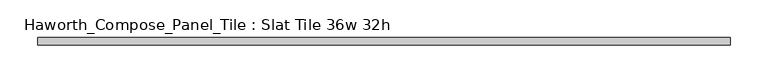
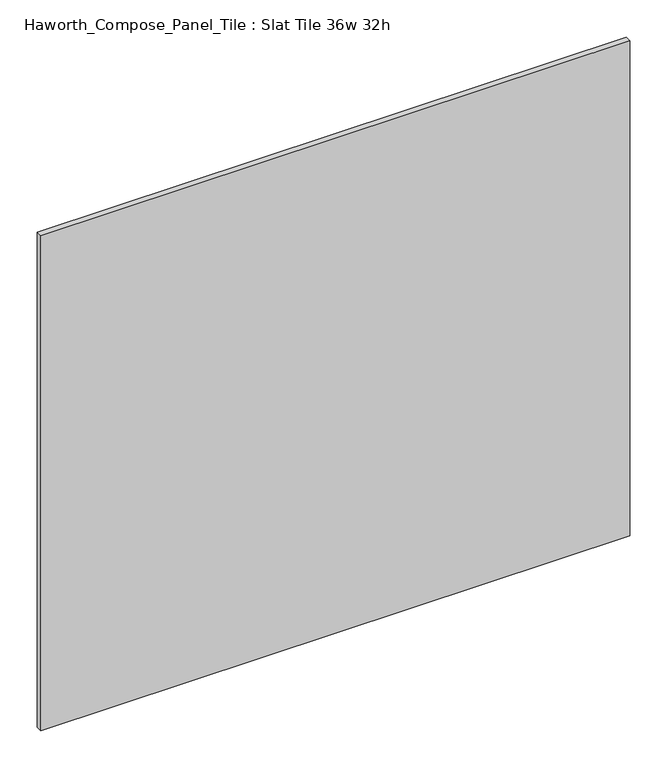
"""IFC4 building model written with IfcOpenShell, lengths in millimetres: furniture geometry, Haworth_Compose_Panel_Tile : Slat Tile 36w 32h."""

import ifcopenshell
import ifcopenshell.guid

model = None  # the IFC model being written
_history = None  # IfcOwnerHistory: only IFC2X3 demands one
_inside = {}  # id of a spatial element -> (the spatial element, [elements in it])
_under = {}  # id of a project, library or spatial element -> (it, [spatial elements below it])
_declared = {}  # id of a project -> (the project, [libraries it declares])
_typed = {}  # id of a type object -> (the type object, [elements of that type])
_made_of = {}  # id of a material, layer set ... -> (it, [elements and type objects made of it])


def new_model(schema):
    """Start an empty IFC model of exactly this schema.

    Asked for "IFC4X3", IfcOpenShell would pick the latest addendum, in which some entities
    have other attributes; the version numbers below select the first issue.
    IFC2X3 requires an IfcOwnerHistory on every rooted entity: one is made here for all.
    """
    global model, _history
    if schema == "IFC4X3":
        model = ifcopenshell.file(schema_version=(4, 3, 0, 0))
    else:
        model = ifcopenshell.file(schema=schema)
    _inside.clear()
    _under.clear()
    _declared.clear()
    _typed.clear()
    _made_of.clear()
    _history = None
    if model.schema == "IFC2X3":
        org = make("IfcOrganization", Name="unknown")
        user = make(
            "IfcPersonAndOrganization",
            ThePerson=make("IfcPerson", FamilyName="unknown"),
            TheOrganization=org,
        )
        app = make(
            "IfcApplication",
            ApplicationDeveloper=org,
            Version="unknown",
            ApplicationFullName="unknown",
            ApplicationIdentifier="unknown",
        )
        _history = make(
            "IfcOwnerHistory",
            OwningUser=user,
            OwningApplication=app,
            ChangeAction="ADDED",
            CreationDate=0,
        )
    return model


def make(cls, **values):
    """One entity of the class cls with the attributes given. An attribute that is None is left unset."""
    return model.create_entity(
        cls, **{name: value for name, value in values.items() if value is not None}
    )


def rooted(cls, **values):
    """An entity with a GlobalId (a new one), such as an element, a storey or a relation."""
    return make(cls, GlobalId=ifcopenshell.guid.new(), OwnerHistory=_history, **values)


def si_unit(unit_type, name, prefix=None):
    """IfcSIUnit, for example si_unit("LENGTHUNIT", "METRE", prefix="MILLI")."""
    return make("IfcSIUnit", UnitType=unit_type, Prefix=prefix, Name=name)


def assignment(units):
    """IfcUnitAssignment: the units of a project."""
    return None if units is None else make("IfcUnitAssignment", Units=units)


def point(xyz):
    """IfcCartesianPoint."""
    return None if xyz is None else make("IfcCartesianPoint", Coordinates=xyz)


def direction(xyz):
    """IfcDirection."""
    return None if xyz is None else make("IfcDirection", DirectionRatios=xyz)


def frame(location, z_axis=None, x_axis=None):
    """IfcAxis2Placement3D, a coordinate frame: its origin and axes. An axis left out is left unset."""
    return make(
        "IfcAxis2Placement3D",
        Location=point(location),
        Axis=direction(z_axis),
        RefDirection=direction(x_axis),
    )


def origin():
    """The frame at (0, 0, 0) with its axes left unset."""
    return frame((0.0, 0.0, 0.0))


def place(relative_to, where):
    """IfcLocalPlacement: puts the frame where relative to a parent placement (None: the world)."""
    return make(
        "IfcLocalPlacement", PlacementRelTo=relative_to, RelativePlacement=where
    )


def context(
    kind, dimensions, precision=None, world=None, true_north=None, identifier=None
):
    """IfcGeometricRepresentationContext, for example the 3D "Model" context."""
    return make(
        "IfcGeometricRepresentationContext",
        ContextIdentifier=identifier,
        ContextType=kind,
        CoordinateSpaceDimension=dimensions,
        Precision=precision,
        WorldCoordinateSystem=world,
        TrueNorth=true_north,
    )


def project(units=None, contexts=None):
    """IfcProject with its units and contexts."""
    return rooted(
        "IfcProject",
        Name="project",
        RepresentationContexts=contexts,
        UnitsInContext=assignment(units),
    )


def spatial(cls, under=None, at=None, **own):
    """A site, building, storey or space (cls), placed at a placement, below another one or the project."""
    s = rooted(cls, ObjectPlacement=at, **own)
    if under is not None:
        _under.setdefault(under.id(), (under, []))[1].append(s)
    return s


def polyline(points):
    """IfcPolyline through the points."""
    return make("IfcPolyline", Points=[point(p) for p in points])


def outline(outer, holes=None, kind="AREA"):
    """IfcArbitraryClosedProfileDef: a profile drawn as a closed curve; with holes, ...WithVoids."""
    if holes is None:
        return make("IfcArbitraryClosedProfileDef", ProfileType=kind, OuterCurve=outer)
    return make(
        "IfcArbitraryProfileDefWithVoids",
        ProfileType=kind,
        OuterCurve=outer,
        InnerCurves=holes,
    )


def extrude(swept, where, along, depth):
    """IfcExtrudedAreaSolid: the profile swept, set in the frame where, extruded along a direction by depth."""
    return make(
        "IfcExtrudedAreaSolid",
        SweptArea=swept,
        Position=where,
        ExtrudedDirection=direction(along),
        Depth=depth,
    )


def shape(context_of_items, identifier, shape_type, items):
    """IfcShapeRepresentation: the items that make up one representation, for example the "Body"."""
    return make(
        "IfcShapeRepresentation",
        ContextOfItems=context_of_items,
        RepresentationIdentifier=identifier,
        RepresentationType=shape_type,
        Items=items,
    )


def source(mapping_origin, context_of_items, identifier, shape_type, items):
    """IfcRepresentationMap: a shape defined once, which mapped items show again and again."""
    return make(
        "IfcRepresentationMap",
        MappingOrigin=mapping_origin,
        MappedRepresentation=shape(context_of_items, identifier, shape_type, items),
    )


def transform(
    local_origin,
    x_axis=None,
    y_axis=None,
    z_axis=None,
    scale=None,
    scale2=None,
    scale3=None,
    uniform=True,
):
    """IfcCartesianTransformationOperator3D, or its non-uniform kind. x_axis, y_axis, z_axis: its Axis1, 2, 3."""
    if uniform:
        return make(
            "IfcCartesianTransformationOperator3D",
            Axis1=direction(x_axis),
            Axis2=direction(y_axis),
            LocalOrigin=point(local_origin),
            Scale=scale,
            Axis3=direction(z_axis),
        )
    return make(
        "IfcCartesianTransformationOperator3DnonUniform",
        Axis1=direction(x_axis),
        Axis2=direction(y_axis),
        LocalOrigin=point(local_origin),
        Scale=scale,
        Axis3=direction(z_axis),
        Scale2=scale2,
        Scale3=scale3,
    )


def mapped(mapping_source, mapping_target):
    """IfcMappedItem: shows the shape of a source again, moved by a transform."""
    return make(
        "IfcMappedItem", MappingSource=mapping_source, MappingTarget=mapping_target
    )


def made_of(thing, what):
    """Note that an element or type object is made of a material, layer set ...; save() writes the relation."""
    if what is not None:
        _made_of.setdefault(what.id(), (what, []))[1].append(thing)
    return thing


def element(
    cls,
    number,
    at=None,
    inside=None,
    cuts=None,
    type_object=None,
    material=None,
    context=None,
    identifier="Body",
    shape_type=None,
    held_by="IfcProductDefinitionShape",
    body=None,
    shapes=None,
    **own,
):
    """One element of the class cls, such as IfcWall. Its Tag is "e" and its number.

    at: its placement. inside: the storey or other place that contains it. cuts: it is an
    opening in that element (IfcRelVoidsElement). A single representation is given by context,
    identifier, shape_type and body (its items); several are given by shapes. held_by: the class
    of the entity that holds the representations. save() writes the other relations.
    """
    e = rooted(cls, Tag="e%d" % number, ObjectPlacement=at, **own)
    if body is not None:
        shapes = [shape(context, identifier, shape_type, body)]
    if shapes is not None:
        e.Representation = make(held_by, Representations=shapes)
    if inside is not None:
        _inside.setdefault(inside.id(), (inside, []))[1].append(e)
    if cuts is not None:
        rooted(
            "IfcRelVoidsElement", RelatingBuildingElement=cuts, RelatedOpeningElement=e
        )
    if type_object is not None:
        _typed.setdefault(type_object.id(), (type_object, []))[1].append(e)
    return made_of(e, material)


def aggregate(whole, parts):
    """IfcRelAggregates: a whole, such as a stair, and the parts it consists of."""
    return rooted("IfcRelAggregates", RelatingObject=whole, RelatedObjects=parts)


def save(model, path):
    """Write the relations noted so far, then the file.

    IfcRelAggregates (storeys below a building ...), IfcRelContainedInSpatialStructure (elements
    in a storey), IfcRelDefinesByType, IfcRelAssociatesMaterial and IfcRelDeclares: one each for
    every whole, place, type object, material and project.
    """
    for whole, parts in _under.values():
        aggregate(whole, parts)
    for where, things in _inside.values():
        rooted(
            "IfcRelContainedInSpatialStructure",
            RelatedElements=things,
            RelatingStructure=where,
        )
    for kind, things in _typed.values():
        rooted("IfcRelDefinesByType", RelatedObjects=things, RelatingType=kind)
    for what, things in _made_of.values():
        rooted("IfcRelAssociatesMaterial", RelatedObjects=things, RelatingMaterial=what)
    for by, libraries in _declared.values():
        rooted("IfcRelDeclares", RelatingContext=by, RelatedDefinitions=libraries)
    model.write(path)


def haworth_compose_panel_tile_slat_tile_36w_32h_e3c5c620(model_context):
    return source(origin(), model_context, "Body", "SweptSolid", [
        extrude(outline(polyline([(459.6402902, -25.7218594), (-454.7597098, -25.7218594), (-454.7597098, -16.1968594), (459.6402902, -16.1968594), (459.6402902, -25.7218594)])), frame((0.0, 0.0, 1066.8), z_axis=(0.0, 0.0, 1.0), x_axis=(1.0, 0.0, 0.0)), (0.0, 0.0, 1.0), 812.8),
    ])


if __name__ == "__main__":
    model = new_model("IFC4")
    model_context = context("Model", 3, world=origin())
    ifc_project = project(units=[si_unit("LENGTHUNIT", "METRE", prefix="MILLI")], contexts=[model_context])
    site = spatial("IfcSite", under=ifc_project)
    building = spatial("IfcBuilding", under=site)
    placement = place(None, origin())
    haworth_compose_panel_tile_slat_tile_36w_32h_shape = haworth_compose_panel_tile_slat_tile_36w_32h_e3c5c620(model_context)
    element("IfcFurniture", 1, ObjectType="Haworth_Compose_Panel_Tile : Slat Tile 36w 32h", at=placement, inside=building, context=model_context, shape_type="MappedRepresentation", body=[
        mapped(haworth_compose_panel_tile_slat_tile_36w_32h_shape, transform((0.0, 0.0, 0.0), x_axis=(1.0, 0.0, 0.0), y_axis=(0.0, 1.0, 0.0), z_axis=(0.0, 0.0, 1.0))),
    ])
    save(model, "model.ifc")
